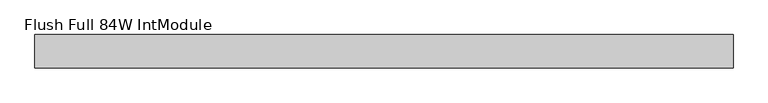
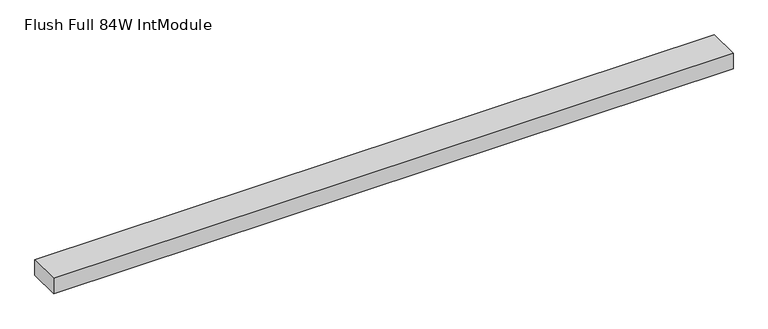
"""IFC4 building model written with IfcOpenShell, lengths in millimetres: furniture geometry, Flush Full 84W IntModule."""

from ifc_helpers import new_model, si_unit, frame, origin, place, context, project, spatial, polyline, outline, extrude, source, transform, mapped, element, save


def flush_full_84w_intmodule_fe04b2dc(model_context):
    return source(origin(), model_context, "Body", "SweptSolid", [
        extrude(outline(polyline([(50.8, -101.6), (50.8, 0.0), (2184.4, 0.0), (2184.4, -101.6), (50.8, -101.6)])), frame((0.0, 0.0, 2235.2), z_axis=(0.0, 0.0, 1.0), x_axis=(1.0, 0.0, 0.0)), (0.0, 0.0, 1.0), 50.8),
    ])


if __name__ == "__main__":
    model = new_model("IFC4")
    model_context = context("Model", 3, world=origin())
    ifc_project = project(units=[si_unit("LENGTHUNIT", "METRE", prefix="MILLI")], contexts=[model_context])
    site = spatial("IfcSite", under=ifc_project)
    building = spatial("IfcBuilding", under=site)
    placement = place(None, origin())
    flush_full_84w_intmodule_shape = flush_full_84w_intmodule_fe04b2dc(model_context)
    element("IfcFurniture", 1, ObjectType="Flush Full 84W IntModule", at=placement, inside=building, context=model_context, shape_type="MappedRepresentation", body=[
        mapped(flush_full_84w_intmodule_shape, transform((0.0, 0.0, 0.0), x_axis=(1.0, 0.0, 0.0), y_axis=(0.0, 1.0, 0.0), z_axis=(0.0, 0.0, 1.0))),
    ])
    save(model, "model.ifc")
